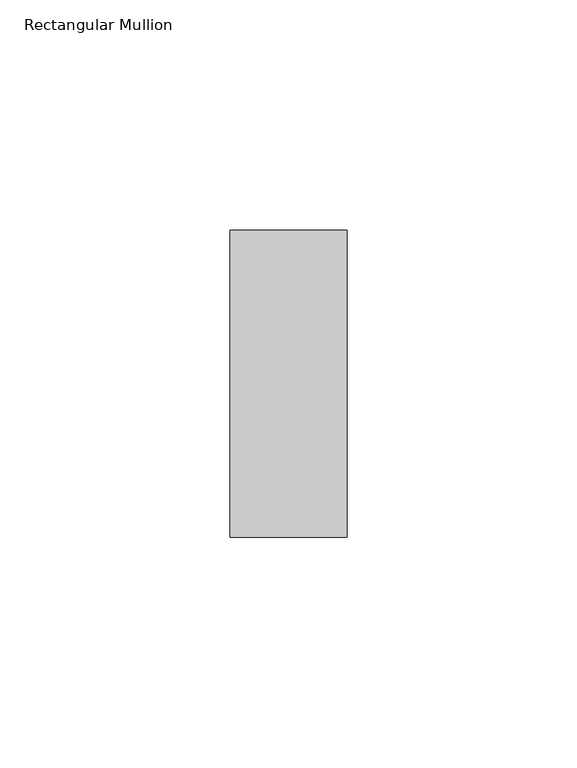
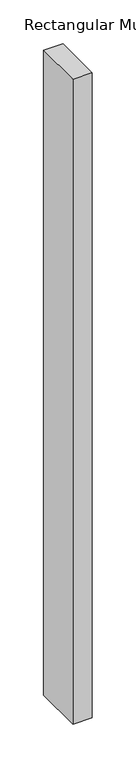
"""IFC4 building model written with IfcOpenShell, lengths in millimetres: member geometry, Rectangular Mullion."""

from ifc_helpers import new_model, si_unit, frame, origin, place, context, project, spatial, polyline, outline, extrude, source, transform, mapped, element, save


def rectangular_mullion_efe01abe(model_context):
    return source(origin(), model_context, "Body", "SweptSolid", [
        extrude(outline(polyline([(0.0, 33.3375), (0.0, -33.3375), (-25.4, -33.3375), (-25.4, 33.3375), (0.0, 33.3375)])), frame((0.0, 0.0, -896.62), z_axis=(0.0, 0.0, 1.0), x_axis=(1.0, 0.0, 0.0)), (0.0, 0.0, 1.0), 896.62),
    ])


if __name__ == "__main__":
    model = new_model("IFC4")
    model_context = context("Model", 3, world=origin())
    ifc_project = project(units=[si_unit("LENGTHUNIT", "METRE", prefix="MILLI")], contexts=[model_context])
    site = spatial("IfcSite", under=ifc_project)
    building = spatial("IfcBuilding", under=site)
    placement = place(None, origin())
    rectangular_mullion_shape = rectangular_mullion_efe01abe(model_context)
    element("IfcMember", 1, ObjectType="Rectangular Mullion", at=placement, inside=building, context=model_context, shape_type="MappedRepresentation", body=[
        mapped(rectangular_mullion_shape, transform((0.0, 0.0, 0.0), x_axis=(1.0, 0.0, 0.0), y_axis=(0.0, 1.0, 0.0), z_axis=(0.0, 0.0, 1.0))),
    ])
    save(model, "model.ifc")
